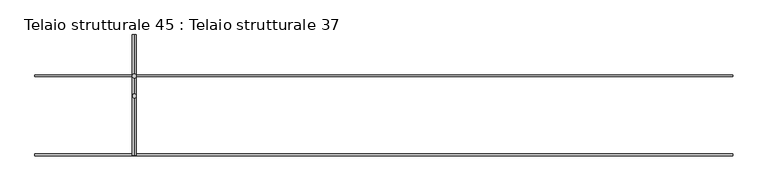
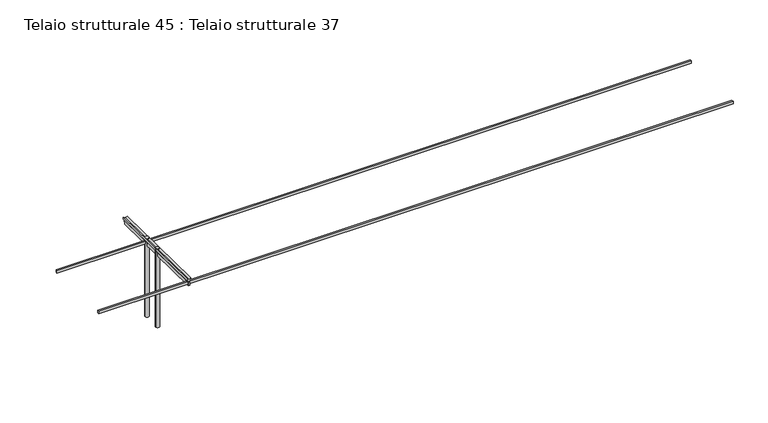
"""IFC4 building model written with IfcOpenShell, lengths in millimetres: beam geometry, Telaio strutturale 45 : Telaio strutturale 37."""

from ifc_helpers import new_model, si_unit, point, frame, frame_2d, origin, place, context, project, spatial, polyline, circle_curve, trimmed, segment, composite_curve, outline, extrude, source, transform, mapped, element, save


def telaio_strutturale_45_telaio_strutturale_37_8e66d40a(model_context):
    return source(origin(), model_context, "Body", "SweptSolid", [
        extrude(outline(polyline([(73310.2989029, 98923.4343272), (73310.2989029, 98878.475019), (55975.980268, 98878.475019), (55975.980268, 98923.4343272), (73310.2989029, 98923.4343272)])), frame((0.0, 0.0, -312.5), z_axis=(0.0, 0.0, 1.0), x_axis=(1.0, 0.0, 0.0)), (0.0, 0.0, 1.0), 69.0),
        extrude(outline(polyline([(73310.2989029, 96955.8836994), (73310.2989029, 96905.8836994), (55975.980268, 96905.8836994), (55975.980268, 96955.8836994), (73310.2989029, 96955.8836994)])), frame((0.0, 0.0, -288.535578), z_axis=(0.0, 0.0, 1.0), x_axis=(1.0, 0.0, 0.0)), (0.0, 0.0, 1.0), 70.0),
        extrude(outline(polyline([(55.0, 0.0), (90.6307787, 42.2618262), (110.3377919, 1e-07), (97.4462151, -15.290757), (112.2378542, -47.0115294), (103.1747764, -51.2377121), (149.6627852, -150.9315687), (108.8789348, -169.9493904), (62.390926, -70.2555339), (53.3278481, -74.4817165), (38.5362089, -42.7609439), (16.3319907, -42.7609439), (-3.607765, 0.0), (55.0, 0.0)])), frame((58396.1524102, 99921.9096789, -177.6942678), z_axis=(2.3026510564431654e-06, -0.9998668847666168, 0.016316027145080132), x_axis=(0.9061884721947285, -0.006897537941151485, -0.4228177820666181)), (0.0, 0.0, 1.0), 3014.9581714),
        extrude(outline(composite_curve([segment(trimmed(circle_curve(frame_2d((58447.3778651, 98898.9352677)), 50.0), [point((58397.3778651, 98898.9352677))], [point((58497.3778651, 98898.9352677))], False, "CARTESIAN"), True, "CONTINUOUS"), segment(trimmed(circle_curve(frame_2d((58447.3778651, 98898.9352677)), 50.0), [point((58497.3778651, 98898.9352677))], [point((58397.3778651, 98898.9352677))], False, "CARTESIAN"), True, "CONTINUOUS")], self_intersect=False)), frame((0.0, 0.0, -2420.5), z_axis=(0.0, 0.0, 1.0), x_axis=(1.0, 0.0, 0.0)), (0.0, 0.0, 1.0), 2267.4013682),
        extrude(outline(composite_curve([segment(trimmed(circle_curve(frame_2d((58447.3778651, 98400.2930077)), 50.0), [point((58397.3778651, 98400.2930077))], [point((58497.3778651, 98400.2930077))], False, "CARTESIAN"), True, "CONTINUOUS"), segment(trimmed(circle_curve(frame_2d((58447.3778651, 98400.2930077)), 50.0), [point((58497.3778651, 98400.2930077))], [point((58397.3778651, 98400.2930077))], False, "CARTESIAN"), True, "CONTINUOUS")], self_intersect=False)), frame((0.0, 0.0, -2420.5), z_axis=(0.0, 0.0, 1.0), x_axis=(1.0, 0.0, 0.0)), (0.0, 0.0, 1.0), 2267.4013682),
    ])


if __name__ == "__main__":
    model = new_model("IFC4")
    model_context = context("Model", 3, world=origin())
    ifc_project = project(units=[si_unit("LENGTHUNIT", "METRE", prefix="MILLI")], contexts=[model_context])
    site = spatial("IfcSite", under=ifc_project)
    building = spatial("IfcBuilding", under=site)
    placement = place(None, origin())
    telaio_strutturale_45_telaio_strutturale_37_shape = telaio_strutturale_45_telaio_strutturale_37_8e66d40a(model_context)
    element("IfcBeam", 1, ObjectType="Telaio strutturale 45 : Telaio strutturale 37", at=placement, inside=building, context=model_context, shape_type="MappedRepresentation", body=[
        mapped(telaio_strutturale_45_telaio_strutturale_37_shape, transform((0.0, 0.0, 0.0), x_axis=(1.0, 0.0, 0.0), y_axis=(0.0, 1.0, 0.0), z_axis=(0.0, 0.0, 1.0))),
    ])
    save(model, "model.ifc")
